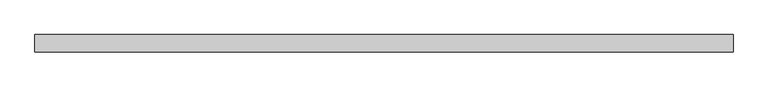
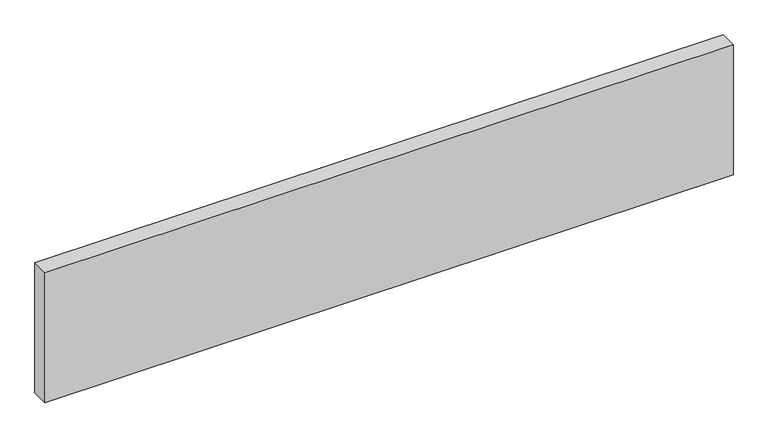
"""IFC4 building model written with IfcOpenShell, lengths in millimetres: plate geometry."""

import ifcopenshell
import ifcopenshell.guid

model = None  # the IFC model being written
_history = None  # IfcOwnerHistory: only IFC2X3 demands one
_inside = {}  # id of a spatial element -> (the spatial element, [elements in it])
_under = {}  # id of a project, library or spatial element -> (it, [spatial elements below it])
_declared = {}  # id of a project -> (the project, [libraries it declares])
_typed = {}  # id of a type object -> (the type object, [elements of that type])
_made_of = {}  # id of a material, layer set ... -> (it, [elements and type objects made of it])


def new_model(schema):
    """Start an empty IFC model of exactly this schema.

    Asked for "IFC4X3", IfcOpenShell would pick the latest addendum, in which some entities
    have other attributes; the version numbers below select the first issue.
    IFC2X3 requires an IfcOwnerHistory on every rooted entity: one is made here for all.
    """
    global model, _history
    if schema == "IFC4X3":
        model = ifcopenshell.file(schema_version=(4, 3, 0, 0))
    else:
        model = ifcopenshell.file(schema=schema)
    _inside.clear()
    _under.clear()
    _declared.clear()
    _typed.clear()
    _made_of.clear()
    _history = None
    if model.schema == "IFC2X3":
        org = make("IfcOrganization", Name="unknown")
        user = make(
            "IfcPersonAndOrganization",
            ThePerson=make("IfcPerson", FamilyName="unknown"),
            TheOrganization=org,
        )
        app = make(
            "IfcApplication",
            ApplicationDeveloper=org,
            Version="unknown",
            ApplicationFullName="unknown",
            ApplicationIdentifier="unknown",
        )
        _history = make(
            "IfcOwnerHistory",
            OwningUser=user,
            OwningApplication=app,
            ChangeAction="ADDED",
            CreationDate=0,
        )
    return model


def make(cls, **values):
    """One entity of the class cls with the attributes given. An attribute that is None is left unset."""
    return model.create_entity(
        cls, **{name: value for name, value in values.items() if value is not None}
    )


def rooted(cls, **values):
    """An entity with a GlobalId (a new one), such as an element, a storey or a relation."""
    return make(cls, GlobalId=ifcopenshell.guid.new(), OwnerHistory=_history, **values)


def si_unit(unit_type, name, prefix=None):
    """IfcSIUnit, for example si_unit("LENGTHUNIT", "METRE", prefix="MILLI")."""
    return make("IfcSIUnit", UnitType=unit_type, Prefix=prefix, Name=name)


def assignment(units):
    """IfcUnitAssignment: the units of a project."""
    return None if units is None else make("IfcUnitAssignment", Units=units)


def point(xyz):
    """IfcCartesianPoint."""
    return None if xyz is None else make("IfcCartesianPoint", Coordinates=xyz)


def direction(xyz):
    """IfcDirection."""
    return None if xyz is None else make("IfcDirection", DirectionRatios=xyz)


def frame(location, z_axis=None, x_axis=None):
    """IfcAxis2Placement3D, a coordinate frame: its origin and axes. An axis left out is left unset."""
    return make(
        "IfcAxis2Placement3D",
        Location=point(location),
        Axis=direction(z_axis),
        RefDirection=direction(x_axis),
    )


def origin():
    """The frame at (0, 0, 0) with its axes left unset."""
    return frame((0.0, 0.0, 0.0))


def origin_with_axes():
    """The frame at (0, 0, 0) with the z axis (0, 0, 1) and the x axis (1, 0, 0) written out."""
    return frame((0.0, 0.0, 0.0), z_axis=(0.0, 0.0, 1.0), x_axis=(1.0, 0.0, 0.0))


def place(relative_to, where):
    """IfcLocalPlacement: puts the frame where relative to a parent placement (None: the world)."""
    return make(
        "IfcLocalPlacement", PlacementRelTo=relative_to, RelativePlacement=where
    )


def context(
    kind, dimensions, precision=None, world=None, true_north=None, identifier=None
):
    """IfcGeometricRepresentationContext, for example the 3D "Model" context."""
    return make(
        "IfcGeometricRepresentationContext",
        ContextIdentifier=identifier,
        ContextType=kind,
        CoordinateSpaceDimension=dimensions,
        Precision=precision,
        WorldCoordinateSystem=world,
        TrueNorth=true_north,
    )


def project(units=None, contexts=None):
    """IfcProject with its units and contexts."""
    return rooted(
        "IfcProject",
        Name="project",
        RepresentationContexts=contexts,
        UnitsInContext=assignment(units),
    )


def spatial(cls, under=None, at=None, **own):
    """A site, building, storey or space (cls), placed at a placement, below another one or the project."""
    s = rooted(cls, ObjectPlacement=at, **own)
    if under is not None:
        _under.setdefault(under.id(), (under, []))[1].append(s)
    return s


def polyline(points):
    """IfcPolyline through the points."""
    return make("IfcPolyline", Points=[point(p) for p in points])


def outline(outer, holes=None, kind="AREA"):
    """IfcArbitraryClosedProfileDef: a profile drawn as a closed curve; with holes, ...WithVoids."""
    if holes is None:
        return make("IfcArbitraryClosedProfileDef", ProfileType=kind, OuterCurve=outer)
    return make(
        "IfcArbitraryProfileDefWithVoids",
        ProfileType=kind,
        OuterCurve=outer,
        InnerCurves=holes,
    )


def extrude(swept, where, along, depth):
    """IfcExtrudedAreaSolid: the profile swept, set in the frame where, extruded along a direction by depth."""
    return make(
        "IfcExtrudedAreaSolid",
        SweptArea=swept,
        Position=where,
        ExtrudedDirection=direction(along),
        Depth=depth,
    )


def shape(context_of_items, identifier, shape_type, items):
    """IfcShapeRepresentation: the items that make up one representation, for example the "Body"."""
    return make(
        "IfcShapeRepresentation",
        ContextOfItems=context_of_items,
        RepresentationIdentifier=identifier,
        RepresentationType=shape_type,
        Items=items,
    )


def source(mapping_origin, context_of_items, identifier, shape_type, items):
    """IfcRepresentationMap: a shape defined once, which mapped items show again and again."""
    return make(
        "IfcRepresentationMap",
        MappingOrigin=mapping_origin,
        MappedRepresentation=shape(context_of_items, identifier, shape_type, items),
    )


def transform(
    local_origin,
    x_axis=None,
    y_axis=None,
    z_axis=None,
    scale=None,
    scale2=None,
    scale3=None,
    uniform=True,
):
    """IfcCartesianTransformationOperator3D, or its non-uniform kind. x_axis, y_axis, z_axis: its Axis1, 2, 3."""
    if uniform:
        return make(
            "IfcCartesianTransformationOperator3D",
            Axis1=direction(x_axis),
            Axis2=direction(y_axis),
            LocalOrigin=point(local_origin),
            Scale=scale,
            Axis3=direction(z_axis),
        )
    return make(
        "IfcCartesianTransformationOperator3DnonUniform",
        Axis1=direction(x_axis),
        Axis2=direction(y_axis),
        LocalOrigin=point(local_origin),
        Scale=scale,
        Axis3=direction(z_axis),
        Scale2=scale2,
        Scale3=scale3,
    )


def mapped(mapping_source, mapping_target):
    """IfcMappedItem: shows the shape of a source again, moved by a transform."""
    return make(
        "IfcMappedItem", MappingSource=mapping_source, MappingTarget=mapping_target
    )


def made_of(thing, what):
    """Note that an element or type object is made of a material, layer set ...; save() writes the relation."""
    if what is not None:
        _made_of.setdefault(what.id(), (what, []))[1].append(thing)
    return thing


def element(
    cls,
    number,
    at=None,
    inside=None,
    cuts=None,
    type_object=None,
    material=None,
    context=None,
    identifier="Body",
    shape_type=None,
    held_by="IfcProductDefinitionShape",
    body=None,
    shapes=None,
    **own,
):
    """One element of the class cls, such as IfcWall. Its Tag is "e" and its number.

    at: its placement. inside: the storey or other place that contains it. cuts: it is an
    opening in that element (IfcRelVoidsElement). A single representation is given by context,
    identifier, shape_type and body (its items); several are given by shapes. held_by: the class
    of the entity that holds the representations. save() writes the other relations.
    """
    e = rooted(cls, Tag="e%d" % number, ObjectPlacement=at, **own)
    if body is not None:
        shapes = [shape(context, identifier, shape_type, body)]
    if shapes is not None:
        e.Representation = make(held_by, Representations=shapes)
    if inside is not None:
        _inside.setdefault(inside.id(), (inside, []))[1].append(e)
    if cuts is not None:
        rooted(
            "IfcRelVoidsElement", RelatingBuildingElement=cuts, RelatedOpeningElement=e
        )
    if type_object is not None:
        _typed.setdefault(type_object.id(), (type_object, []))[1].append(e)
    return made_of(e, material)


def aggregate(whole, parts):
    """IfcRelAggregates: a whole, such as a stair, and the parts it consists of."""
    return rooted("IfcRelAggregates", RelatingObject=whole, RelatedObjects=parts)


def save(model, path):
    """Write the relations noted so far, then the file.

    IfcRelAggregates (storeys below a building ...), IfcRelContainedInSpatialStructure (elements
    in a storey), IfcRelDefinesByType, IfcRelAssociatesMaterial and IfcRelDeclares: one each for
    every whole, place, type object, material and project.
    """
    for whole, parts in _under.values():
        aggregate(whole, parts)
    for where, things in _inside.values():
        rooted(
            "IfcRelContainedInSpatialStructure",
            RelatedElements=things,
            RelatingStructure=where,
        )
    for kind, things in _typed.values():
        rooted("IfcRelDefinesByType", RelatedObjects=things, RelatingType=kind)
    for what, things in _made_of.values():
        rooted("IfcRelAssociatesMaterial", RelatedObjects=things, RelatingMaterial=what)
    for by, libraries in _declared.values():
        rooted("IfcRelDeclares", RelatingContext=by, RelatedDefinitions=libraries)
    model.write(path)


def plate_73f68718(model_context):
    return source(origin(), model_context, "Body", "SweptSolid", [
        extrude(outline(polyline([(1500.0, -37.5), (-1500.0, -37.5), (-1500.0, 37.5), (1500.0, 37.5), (1500.0, -37.5)])), origin_with_axes(), (0.0, 0.0, 1.0), 599.05),
    ])


if __name__ == "__main__":
    model = new_model("IFC4")
    model_context = context("Model", 3, world=origin())
    ifc_project = project(units=[si_unit("LENGTHUNIT", "METRE", prefix="MILLI")], contexts=[model_context])
    site = spatial("IfcSite", under=ifc_project)
    building = spatial("IfcBuilding", under=site)
    placement = place(None, origin())
    plate_shape = plate_73f68718(model_context)
    element("IfcPlate", 1, at=placement, inside=building, context=model_context, shape_type="MappedRepresentation", body=[
        mapped(plate_shape, transform((0.0, 0.0, 0.0), x_axis=(1.0, 0.0, 0.0), y_axis=(0.0, 1.0, 0.0), z_axis=(0.0, 0.0, 1.0))),
    ])
    save(model, "model.ifc")
